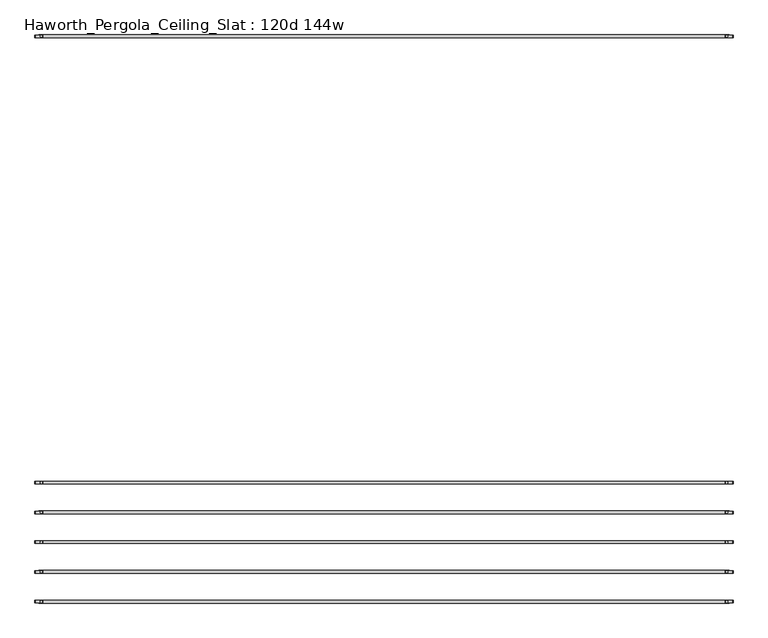
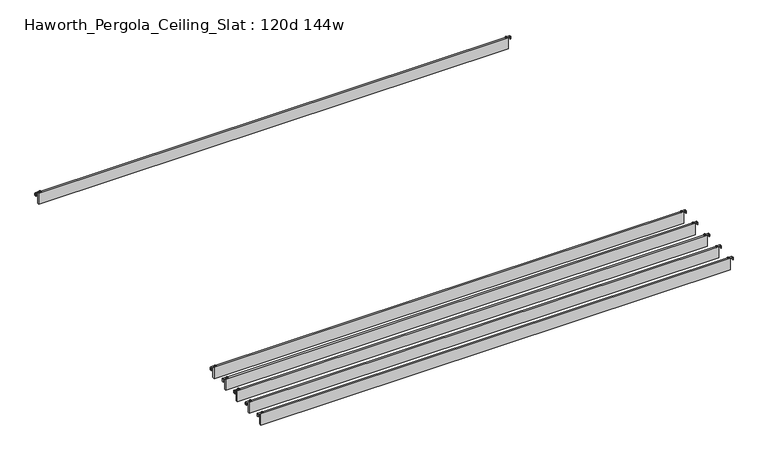
"""IFC4 building model written with IfcOpenShell, lengths in millimetres: furniture geometry, Haworth_Pergola_Ceiling_Slat : 120d 144w."""

from ifc_helpers import new_model, si_unit, point, frame, frame_2d, origin, place, context, project, spatial, polyline, circle_curve, trimmed, segment, composite_curve, outline, extrude, source, transform, mapped, element, save


def haworth_pergola_ceiling_slat_120d_144w_0967330c(model_context):
    return source(origin(), model_context, "Body", "SweptSolid", [
        extrude(outline(composite_curve([segment(trimmed(circle_curve(frame_2d((1853.2, -2206.3175263)), 5.9838099), [point((1847.2161901, -2206.3175263))], [point((1859.1838099, -2206.3175263))], False, "CARTESIAN"), True, "CONTINUOUS"), segment(trimmed(circle_curve(frame_2d((1853.2, -2206.3175263)), 5.9838099), [point((1859.1838099, -2206.3175263))], [point((1847.2161901, -2206.3175263))], False, "CARTESIAN"), True, "CONTINUOUS")], self_intersect=False)), frame((0.0, 0.0, 2440.9329992), z_axis=(0.0, 0.0, 1.0), x_axis=(1.0, 0.0, 0.0)), (0.0, 0.0, 1.0), 3.4400008),
        extrude(outline(composite_curve([segment(trimmed(circle_curve(frame_2d((-1777.0, -2206.3175263)), 5.9838099), [point((-1771.0161901, -2206.3175263))], [point((-1782.9838099, -2206.3175263))], False, "CARTESIAN"), True, "CONTINUOUS"), segment(trimmed(circle_curve(frame_2d((-1777.0, -2206.3175263)), 5.9838099), [point((-1782.9838099, -2206.3175263))], [point((-1771.0161901, -2206.3175263))], False, "CARTESIAN"), True, "CONTINUOUS")], self_intersect=False)), frame((0.0, 0.0, 2440.9329992), z_axis=(0.0, 0.0, 1.0), x_axis=(1.0, 0.0, 0.0)), (0.0, 0.0, 1.0), 3.4400008),
        extrude(outline(composite_curve([segment(polyline([(2419.2231711, 1887.36), (2437.2499992, 1887.36)]), True, "CONTINUOUS"), segment(trimmed(circle_curve(frame_2d((2437.2499992, 1883.677)), 3.683), [point((2437.2499992, 1887.36))], [point((2440.9329992, 1883.677))], False, "CARTESIAN"), True, "CONTINUOUS"), segment(polyline([(2440.9329992, 1883.677), (2440.9329992, 1846.7), (2438.2729997, 1846.7), (2438.2729997, 1883.6905568)]), True, "CONTINUOUS"), segment(trimmed(circle_curve(frame_2d((2437.2635571, 1883.6905568)), 1.0094425), [point((2438.2729997, 1883.6905568))], [point((2437.2635571, 1884.6999993))], True, "CARTESIAN"), True, "CONTINUOUS"), segment(polyline([(2437.2635571, 1884.6999993), (2419.2231711, 1884.6999993), (2419.2231711, 1887.36)]), True, "CONTINUOUS")], self_intersect=False)), frame((0.0, -2212.8105267, 0.0), z_axis=(0.0, 1.0, 0.0), x_axis=(0.0, 0.0, 1.0)), (0.0, 0.0, 1.0), 13.0),
        extrude(outline(composite_curve([segment(polyline([(2419.2231711, -1811.16), (2419.2231711, -1808.4999993), (2437.2635571, -1808.4999993)]), True, "CONTINUOUS"), segment(trimmed(circle_curve(frame_2d((2437.2635571, -1807.4905568)), 1.0094425), [point((2437.2635571, -1808.4999993))], [point((2438.2729997, -1807.4905568))], True, "CARTESIAN"), True, "CONTINUOUS"), segment(polyline([(2438.2729997, -1807.4905568), (2438.2729997, -1770.5), (2440.9329992, -1770.5), (2440.9329992, -1807.477)]), True, "CONTINUOUS"), segment(trimmed(circle_curve(frame_2d((2437.2499992, -1807.477)), 3.683), [point((2440.9329992, -1807.477))], [point((2437.2499992, -1811.16))], False, "CARTESIAN"), True, "CONTINUOUS"), segment(polyline([(2437.2499992, -1811.16), (2419.2231711, -1811.16)]), True, "CONTINUOUS")], self_intersect=False)), frame((0.0, -2212.8105267, 0.0), z_axis=(0.0, 1.0, 0.0), x_axis=(0.0, 0.0, 1.0)), (0.0, 0.0, 1.0), 13.0),
        extrude(outline(polyline([(-1790.7, -2213.8105263), (-1790.7, -2198.8245263), (1866.9, -2198.8245263), (1866.9, -2213.8105263), (-1790.7, -2213.8105263)])), frame((0.0, 0.0, 2346.198), z_axis=(0.0, 0.0, 1.0), x_axis=(1.0, 0.0, 0.0)), (0.0, 0.0, 1.0), 92.202),
        extrude(outline(composite_curve([segment(trimmed(circle_curve(frame_2d((1853.2, -2364.0648947)), 5.9838099), [point((1847.2161901, -2364.0648947))], [point((1859.1838099, -2364.0648947))], False, "CARTESIAN"), True, "CONTINUOUS"), segment(trimmed(circle_curve(frame_2d((1853.2, -2364.0648947)), 5.9838099), [point((1859.1838099, -2364.0648947))], [point((1847.2161901, -2364.0648947))], False, "CARTESIAN"), True, "CONTINUOUS")], self_intersect=False)), frame((0.0, 0.0, 2440.9329992), z_axis=(0.0, 0.0, 1.0), x_axis=(1.0, 0.0, 0.0)), (0.0, 0.0, 1.0), 3.4400008),
        extrude(outline(composite_curve([segment(trimmed(circle_curve(frame_2d((-1777.0, -2364.0648947)), 5.9838099), [point((-1771.0161901, -2364.0648947))], [point((-1782.9838099, -2364.0648947))], False, "CARTESIAN"), True, "CONTINUOUS"), segment(trimmed(circle_curve(frame_2d((-1777.0, -2364.0648947)), 5.9838099), [point((-1782.9838099, -2364.0648947))], [point((-1771.0161901, -2364.0648947))], False, "CARTESIAN"), True, "CONTINUOUS")], self_intersect=False)), frame((0.0, 0.0, 2440.9329992), z_axis=(0.0, 0.0, 1.0), x_axis=(1.0, 0.0, 0.0)), (0.0, 0.0, 1.0), 3.4400008),
        extrude(outline(composite_curve([segment(polyline([(2419.2231711, 1887.36), (2437.2499992, 1887.36)]), True, "CONTINUOUS"), segment(trimmed(circle_curve(frame_2d((2437.2499992, 1883.677)), 3.683), [point((2437.2499992, 1887.36))], [point((2440.9329992, 1883.677))], False, "CARTESIAN"), True, "CONTINUOUS"), segment(polyline([(2440.9329992, 1883.677), (2440.9329992, 1846.7), (2438.2729997, 1846.7), (2438.2729997, 1883.6905568)]), True, "CONTINUOUS"), segment(trimmed(circle_curve(frame_2d((2437.2635571, 1883.6905568)), 1.0094425), [point((2438.2729997, 1883.6905568))], [point((2437.2635571, 1884.6999993))], True, "CARTESIAN"), True, "CONTINUOUS"), segment(polyline([(2437.2635571, 1884.6999993), (2419.2231711, 1884.6999993), (2419.2231711, 1887.36)]), True, "CONTINUOUS")], self_intersect=False)), frame((0.0, -2370.5578951, 0.0), z_axis=(0.0, 1.0, 0.0), x_axis=(0.0, 0.0, 1.0)), (0.0, 0.0, 1.0), 13.0),
        extrude(outline(composite_curve([segment(polyline([(2419.2231711, -1811.16), (2419.2231711, -1808.4999993), (2437.2635571, -1808.4999993)]), True, "CONTINUOUS"), segment(trimmed(circle_curve(frame_2d((2437.2635571, -1807.4905568)), 1.0094425), [point((2437.2635571, -1808.4999993))], [point((2438.2729997, -1807.4905568))], True, "CARTESIAN"), True, "CONTINUOUS"), segment(polyline([(2438.2729997, -1807.4905568), (2438.2729997, -1770.5), (2440.9329992, -1770.5), (2440.9329992, -1807.477)]), True, "CONTINUOUS"), segment(trimmed(circle_curve(frame_2d((2437.2499992, -1807.477)), 3.683), [point((2440.9329992, -1807.477))], [point((2437.2499992, -1811.16))], False, "CARTESIAN"), True, "CONTINUOUS"), segment(polyline([(2437.2499992, -1811.16), (2419.2231711, -1811.16)]), True, "CONTINUOUS")], self_intersect=False)), frame((0.0, -2370.5578951, 0.0), z_axis=(0.0, 1.0, 0.0), x_axis=(0.0, 0.0, 1.0)), (0.0, 0.0, 1.0), 13.0),
        extrude(outline(polyline([(-1790.7, -2371.5578947), (-1790.7, -2356.5718947), (1866.9, -2356.5718947), (1866.9, -2371.5578947), (-1790.7, -2371.5578947)])), frame((0.0, 0.0, 2346.198), z_axis=(0.0, 0.0, 1.0), x_axis=(1.0, 0.0, 0.0)), (0.0, 0.0, 1.0), 92.202),
        extrude(outline(composite_curve([segment(trimmed(circle_curve(frame_2d((1853.2, -2521.8122632)), 5.9838099), [point((1847.2161901, -2521.8122632))], [point((1859.1838099, -2521.8122632))], False, "CARTESIAN"), True, "CONTINUOUS"), segment(trimmed(circle_curve(frame_2d((1853.2, -2521.8122632)), 5.9838099), [point((1859.1838099, -2521.8122632))], [point((1847.2161901, -2521.8122632))], False, "CARTESIAN"), True, "CONTINUOUS")], self_intersect=False)), frame((0.0, 0.0, 2440.9329992), z_axis=(0.0, 0.0, 1.0), x_axis=(1.0, 0.0, 0.0)), (0.0, 0.0, 1.0), 3.4400008),
        extrude(outline(composite_curve([segment(trimmed(circle_curve(frame_2d((-1777.0, -2521.8122632)), 5.9838099), [point((-1771.0161901, -2521.8122632))], [point((-1782.9838099, -2521.8122632))], False, "CARTESIAN"), True, "CONTINUOUS"), segment(trimmed(circle_curve(frame_2d((-1777.0, -2521.8122632)), 5.9838099), [point((-1782.9838099, -2521.8122632))], [point((-1771.0161901, -2521.8122632))], False, "CARTESIAN"), True, "CONTINUOUS")], self_intersect=False)), frame((0.0, 0.0, 2440.9329992), z_axis=(0.0, 0.0, 1.0), x_axis=(1.0, 0.0, 0.0)), (0.0, 0.0, 1.0), 3.4400008),
        extrude(outline(composite_curve([segment(polyline([(2419.2231711, 1887.36), (2437.2499992, 1887.36)]), True, "CONTINUOUS"), segment(trimmed(circle_curve(frame_2d((2437.2499992, 1883.677)), 3.683), [point((2437.2499992, 1887.36))], [point((2440.9329992, 1883.677))], False, "CARTESIAN"), True, "CONTINUOUS"), segment(polyline([(2440.9329992, 1883.677), (2440.9329992, 1846.7), (2438.2729997, 1846.7), (2438.2729997, 1883.6905568)]), True, "CONTINUOUS"), segment(trimmed(circle_curve(frame_2d((2437.2635571, 1883.6905568)), 1.0094425), [point((2438.2729997, 1883.6905568))], [point((2437.2635571, 1884.6999993))], True, "CARTESIAN"), True, "CONTINUOUS"), segment(polyline([(2437.2635571, 1884.6999993), (2419.2231711, 1884.6999993), (2419.2231711, 1887.36)]), True, "CONTINUOUS")], self_intersect=False)), frame((0.0, -2528.3052635, 0.0), z_axis=(0.0, 1.0, 0.0), x_axis=(0.0, 0.0, 1.0)), (0.0, 0.0, 1.0), 13.0),
        extrude(outline(composite_curve([segment(polyline([(2419.2231711, -1811.16), (2419.2231711, -1808.4999993), (2437.2635571, -1808.4999993)]), True, "CONTINUOUS"), segment(trimmed(circle_curve(frame_2d((2437.2635571, -1807.4905568)), 1.0094425), [point((2437.2635571, -1808.4999993))], [point((2438.2729997, -1807.4905568))], True, "CARTESIAN"), True, "CONTINUOUS"), segment(polyline([(2438.2729997, -1807.4905568), (2438.2729997, -1770.5), (2440.9329992, -1770.5), (2440.9329992, -1807.477)]), True, "CONTINUOUS"), segment(trimmed(circle_curve(frame_2d((2437.2499992, -1807.477)), 3.683), [point((2440.9329992, -1807.477))], [point((2437.2499992, -1811.16))], False, "CARTESIAN"), True, "CONTINUOUS"), segment(polyline([(2437.2499992, -1811.16), (2419.2231711, -1811.16)]), True, "CONTINUOUS")], self_intersect=False)), frame((0.0, -2528.3052635, 0.0), z_axis=(0.0, 1.0, 0.0), x_axis=(0.0, 0.0, 1.0)), (0.0, 0.0, 1.0), 13.0),
        extrude(outline(polyline([(-1790.7, -2529.3052632), (-1790.7, -2514.3192632), (1866.9, -2514.3192632), (1866.9, -2529.3052632), (-1790.7, -2529.3052632)])), frame((0.0, 0.0, 2346.198), z_axis=(0.0, 0.0, 1.0), x_axis=(1.0, 0.0, 0.0)), (0.0, 0.0, 1.0), 92.202),
        extrude(outline(composite_curve([segment(trimmed(circle_curve(frame_2d((1853.2, -2679.5596316)), 5.9838099), [point((1847.2161901, -2679.5596316))], [point((1859.1838099, -2679.5596316))], False, "CARTESIAN"), True, "CONTINUOUS"), segment(trimmed(circle_curve(frame_2d((1853.2, -2679.5596316)), 5.9838099), [point((1859.1838099, -2679.5596316))], [point((1847.2161901, -2679.5596316))], False, "CARTESIAN"), True, "CONTINUOUS")], self_intersect=False)), frame((0.0, 0.0, 2440.9329992), z_axis=(0.0, 0.0, 1.0), x_axis=(1.0, 0.0, 0.0)), (0.0, 0.0, 1.0), 3.4400008),
        extrude(outline(composite_curve([segment(trimmed(circle_curve(frame_2d((-1777.0, -2679.5596316)), 5.9838099), [point((-1771.0161901, -2679.5596316))], [point((-1782.9838099, -2679.5596316))], False, "CARTESIAN"), True, "CONTINUOUS"), segment(trimmed(circle_curve(frame_2d((-1777.0, -2679.5596316)), 5.9838099), [point((-1782.9838099, -2679.5596316))], [point((-1771.0161901, -2679.5596316))], False, "CARTESIAN"), True, "CONTINUOUS")], self_intersect=False)), frame((0.0, 0.0, 2440.9329992), z_axis=(0.0, 0.0, 1.0), x_axis=(1.0, 0.0, 0.0)), (0.0, 0.0, 1.0), 3.4400008),
        extrude(outline(composite_curve([segment(polyline([(2419.2231711, 1887.36), (2437.2499992, 1887.36)]), True, "CONTINUOUS"), segment(trimmed(circle_curve(frame_2d((2437.2499992, 1883.677)), 3.683), [point((2437.2499992, 1887.36))], [point((2440.9329992, 1883.677))], False, "CARTESIAN"), True, "CONTINUOUS"), segment(polyline([(2440.9329992, 1883.677), (2440.9329992, 1846.7), (2438.2729997, 1846.7), (2438.2729997, 1883.6905568)]), True, "CONTINUOUS"), segment(trimmed(circle_curve(frame_2d((2437.2635571, 1883.6905568)), 1.0094425), [point((2438.2729997, 1883.6905568))], [point((2437.2635571, 1884.6999993))], True, "CARTESIAN"), True, "CONTINUOUS"), segment(polyline([(2437.2635571, 1884.6999993), (2419.2231711, 1884.6999993), (2419.2231711, 1887.36)]), True, "CONTINUOUS")], self_intersect=False)), frame((0.0, -2686.0526319, 0.0), z_axis=(0.0, 1.0, 0.0), x_axis=(0.0, 0.0, 1.0)), (0.0, 0.0, 1.0), 13.0),
        extrude(outline(composite_curve([segment(polyline([(2419.2231711, -1811.16), (2419.2231711, -1808.4999993), (2437.2635571, -1808.4999993)]), True, "CONTINUOUS"), segment(trimmed(circle_curve(frame_2d((2437.2635571, -1807.4905568)), 1.0094425), [point((2437.2635571, -1808.4999993))], [point((2438.2729997, -1807.4905568))], True, "CARTESIAN"), True, "CONTINUOUS"), segment(polyline([(2438.2729997, -1807.4905568), (2438.2729997, -1770.5), (2440.9329992, -1770.5), (2440.9329992, -1807.477)]), True, "CONTINUOUS"), segment(trimmed(circle_curve(frame_2d((2437.2499992, -1807.477)), 3.683), [point((2440.9329992, -1807.477))], [point((2437.2499992, -1811.16))], False, "CARTESIAN"), True, "CONTINUOUS"), segment(polyline([(2437.2499992, -1811.16), (2419.2231711, -1811.16)]), True, "CONTINUOUS")], self_intersect=False)), frame((0.0, -2686.0526319, 0.0), z_axis=(0.0, 1.0, 0.0), x_axis=(0.0, 0.0, 1.0)), (0.0, 0.0, 1.0), 13.0),
        extrude(outline(polyline([(-1790.7, -2687.0526316), (-1790.7, -2672.0666316), (1866.9, -2672.0666316), (1866.9, -2687.0526316), (-1790.7, -2687.0526316)])), frame((0.0, 0.0, 2346.198), z_axis=(0.0, 0.0, 1.0), x_axis=(1.0, 0.0, 0.0)), (0.0, 0.0, 1.0), 92.202),
        extrude(outline(composite_curve([segment(trimmed(circle_curve(frame_2d((1853.2, 159.893)), 5.9838099), [point((1847.2161901, 159.893))], [point((1859.1838099, 159.893))], False, "CARTESIAN"), True, "CONTINUOUS"), segment(trimmed(circle_curve(frame_2d((1853.2, 159.893)), 5.9838099), [point((1859.1838099, 159.893))], [point((1847.2161901, 159.893))], False, "CARTESIAN"), True, "CONTINUOUS")], self_intersect=False)), frame((0.0, 0.0, 2440.9329992), z_axis=(0.0, 0.0, 1.0), x_axis=(1.0, 0.0, 0.0)), (0.0, 0.0, 1.0), 3.4400008),
        extrude(outline(composite_curve([segment(trimmed(circle_curve(frame_2d((-1777.0, 159.893)), 5.9838099), [point((-1771.0161901, 159.893))], [point((-1782.9838099, 159.893))], False, "CARTESIAN"), True, "CONTINUOUS"), segment(trimmed(circle_curve(frame_2d((-1777.0, 159.893)), 5.9838099), [point((-1782.9838099, 159.893))], [point((-1771.0161901, 159.893))], False, "CARTESIAN"), True, "CONTINUOUS")], self_intersect=False)), frame((0.0, 0.0, 2440.9329992), z_axis=(0.0, 0.0, 1.0), x_axis=(1.0, 0.0, 0.0)), (0.0, 0.0, 1.0), 3.4400008),
        extrude(outline(composite_curve([segment(polyline([(2419.2231711, 1887.36), (2437.2499992, 1887.36)]), True, "CONTINUOUS"), segment(trimmed(circle_curve(frame_2d((2437.2499992, 1883.677)), 3.683), [point((2437.2499992, 1887.36))], [point((2440.9329992, 1883.677))], False, "CARTESIAN"), True, "CONTINUOUS"), segment(polyline([(2440.9329992, 1883.677), (2440.9329992, 1846.7), (2438.2729997, 1846.7), (2438.2729997, 1883.6905568)]), True, "CONTINUOUS"), segment(trimmed(circle_curve(frame_2d((2437.2635571, 1883.6905568)), 1.0094425), [point((2438.2729997, 1883.6905568))], [point((2437.2635571, 1884.6999993))], True, "CARTESIAN"), True, "CONTINUOUS"), segment(polyline([(2437.2635571, 1884.6999993), (2419.2231711, 1884.6999993), (2419.2231711, 1887.36)]), True, "CONTINUOUS")], self_intersect=False)), frame((0.0, 153.3999997, 0.0), z_axis=(0.0, 1.0, 0.0), x_axis=(0.0, 0.0, 1.0)), (0.0, 0.0, 1.0), 13.0),
        extrude(outline(composite_curve([segment(polyline([(2419.2231711, -1811.16), (2419.2231711, -1808.4999993), (2437.2635571, -1808.4999993)]), True, "CONTINUOUS"), segment(trimmed(circle_curve(frame_2d((2437.2635571, -1807.4905568)), 1.0094425), [point((2437.2635571, -1808.4999993))], [point((2438.2729997, -1807.4905568))], True, "CARTESIAN"), True, "CONTINUOUS"), segment(polyline([(2438.2729997, -1807.4905568), (2438.2729997, -1770.5), (2440.9329992, -1770.5), (2440.9329992, -1807.477)]), True, "CONTINUOUS"), segment(trimmed(circle_curve(frame_2d((2437.2499992, -1807.477)), 3.683), [point((2440.9329992, -1807.477))], [point((2437.2499992, -1811.16))], False, "CARTESIAN"), True, "CONTINUOUS"), segment(polyline([(2437.2499992, -1811.16), (2419.2231711, -1811.16)]), True, "CONTINUOUS")], self_intersect=False)), frame((0.0, 153.3999997, 0.0), z_axis=(0.0, 1.0, 0.0), x_axis=(0.0, 0.0, 1.0)), (0.0, 0.0, 1.0), 13.0),
        extrude(outline(polyline([(-1790.7, 152.4), (-1790.7, 167.386), (1866.9, 167.386), (1866.9, 152.4), (-1790.7, 152.4)])), frame((0.0, 0.0, 2346.198), z_axis=(0.0, 0.0, 1.0), x_axis=(1.0, 0.0, 0.0)), (0.0, 0.0, 1.0), 92.202),
        extrude(outline(composite_curve([segment(trimmed(circle_curve(frame_2d((1853.2, -2837.307)), 5.9838099), [point((1847.2161901, -2837.307))], [point((1859.1838099, -2837.307))], False, "CARTESIAN"), True, "CONTINUOUS"), segment(trimmed(circle_curve(frame_2d((1853.2, -2837.307)), 5.9838099), [point((1859.1838099, -2837.307))], [point((1847.2161901, -2837.307))], False, "CARTESIAN"), True, "CONTINUOUS")], self_intersect=False)), frame((0.0, 0.0, 2440.9329992), z_axis=(0.0, 0.0, 1.0), x_axis=(1.0, 0.0, 0.0)), (0.0, 0.0, 1.0), 3.4400008),
        extrude(outline(composite_curve([segment(trimmed(circle_curve(frame_2d((-1777.0, -2837.307)), 5.9838099), [point((-1771.0161901, -2837.307))], [point((-1782.9838099, -2837.307))], False, "CARTESIAN"), True, "CONTINUOUS"), segment(trimmed(circle_curve(frame_2d((-1777.0, -2837.307)), 5.9838099), [point((-1782.9838099, -2837.307))], [point((-1771.0161901, -2837.307))], False, "CARTESIAN"), True, "CONTINUOUS")], self_intersect=False)), frame((0.0, 0.0, 2440.9329992), z_axis=(0.0, 0.0, 1.0), x_axis=(1.0, 0.0, 0.0)), (0.0, 0.0, 1.0), 3.4400008),
        extrude(outline(composite_curve([segment(polyline([(2419.2231711, 1887.36), (2437.2499992, 1887.36)]), True, "CONTINUOUS"), segment(trimmed(circle_curve(frame_2d((2437.2499992, 1883.677)), 3.683), [point((2437.2499992, 1887.36))], [point((2440.9329992, 1883.677))], False, "CARTESIAN"), True, "CONTINUOUS"), segment(polyline([(2440.9329992, 1883.677), (2440.9329992, 1846.7), (2438.2729997, 1846.7), (2438.2729997, 1883.6905568)]), True, "CONTINUOUS"), segment(trimmed(circle_curve(frame_2d((2437.2635571, 1883.6905568)), 1.0094425), [point((2438.2729997, 1883.6905568))], [point((2437.2635571, 1884.6999993))], True, "CARTESIAN"), True, "CONTINUOUS"), segment(polyline([(2437.2635571, 1884.6999993), (2419.2231711, 1884.6999993), (2419.2231711, 1887.36)]), True, "CONTINUOUS")], self_intersect=False)), frame((0.0, -2843.8000003, 0.0), z_axis=(0.0, 1.0, 0.0), x_axis=(0.0, 0.0, 1.0)), (0.0, 0.0, 1.0), 13.0),
        extrude(outline(composite_curve([segment(polyline([(2419.2231711, -1811.16), (2419.2231711, -1808.4999993), (2437.2635571, -1808.4999993)]), True, "CONTINUOUS"), segment(trimmed(circle_curve(frame_2d((2437.2635571, -1807.4905568)), 1.0094425), [point((2437.2635571, -1808.4999993))], [point((2438.2729997, -1807.4905568))], True, "CARTESIAN"), True, "CONTINUOUS"), segment(polyline([(2438.2729997, -1807.4905568), (2438.2729997, -1770.5), (2440.9329992, -1770.5), (2440.9329992, -1807.477)]), True, "CONTINUOUS"), segment(trimmed(circle_curve(frame_2d((2437.2499992, -1807.477)), 3.683), [point((2440.9329992, -1807.477))], [point((2437.2499992, -1811.16))], False, "CARTESIAN"), True, "CONTINUOUS"), segment(polyline([(2437.2499992, -1811.16), (2419.2231711, -1811.16)]), True, "CONTINUOUS")], self_intersect=False)), frame((0.0, -2843.8000003, 0.0), z_axis=(0.0, 1.0, 0.0), x_axis=(0.0, 0.0, 1.0)), (0.0, 0.0, 1.0), 13.0),
        extrude(outline(polyline([(-1790.7, -2844.8), (-1790.7, -2829.814), (1866.9, -2829.814), (1866.9, -2844.8), (-1790.7, -2844.8)])), frame((0.0, 0.0, 2346.198), z_axis=(0.0, 0.0, 1.0), x_axis=(1.0, 0.0, 0.0)), (0.0, 0.0, 1.0), 92.202),
    ])


if __name__ == "__main__":
    model = new_model("IFC4")
    model_context = context("Model", 3, world=origin())
    ifc_project = project(units=[si_unit("LENGTHUNIT", "METRE", prefix="MILLI")], contexts=[model_context])
    site = spatial("IfcSite", under=ifc_project)
    building = spatial("IfcBuilding", under=site)
    placement = place(None, origin())
    haworth_pergola_ceiling_slat_120d_144w_shape = haworth_pergola_ceiling_slat_120d_144w_0967330c(model_context)
    element("IfcFurniture", 1, ObjectType="Haworth_Pergola_Ceiling_Slat : 120d 144w", at=placement, inside=building, context=model_context, shape_type="MappedRepresentation", body=[
        mapped(haworth_pergola_ceiling_slat_120d_144w_shape, transform((0.0, 0.0, 0.0), x_axis=(1.0, 0.0, 0.0), y_axis=(0.0, 1.0, 0.0), z_axis=(0.0, 0.0, 1.0))),
    ])
    save(model, "model.ifc")
